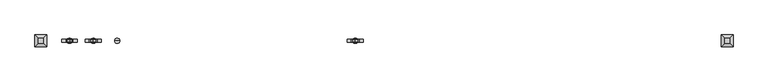
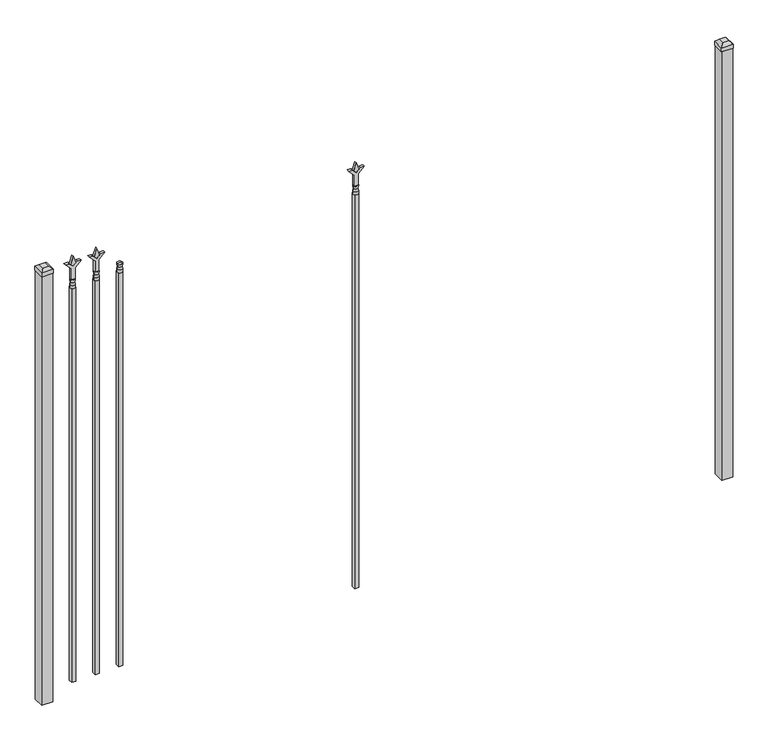
"""IFC4 building model written with IfcOpenShell, lengths in millimetres: railing geometry."""

from ifc_helpers import new_model, si_unit, frame, origin, origin_with_axes, place, context, project, spatial, polyline, circle_curve, outline, extrude, faceted_brep, source, transform, mapped, element, save
from ifc_brep_helpers import plane_surface, cylinder_surface, revolved_surface, advanced_brep


def railing_c8e10cfa(model_context):
    return source(origin(), model_context, "Body", "SolidModel", [
        advanced_brep(
        [(-60983.1035036, -9169.6570174, 1993.9), (-61006.9160036, -9169.6570174, 1993.9), (-61006.9160036, -9169.6570174, 1981.2), (-60983.1035036, -9169.6570174, 1981.2), (-60985.3088355, -9169.6570174, 2006.4070585), (-61004.7106718, -9169.6570174, 2006.4070585), (-60983.1035036, -9169.6570174, 2022.475), (-61006.9160036, -9169.6570174, 2022.475), (-60995.0097536, -9169.6570174, 2022.475), (-60995.0097536, -9169.6570174, 1981.2)],
        [
            (0, 1, circle_curve(frame((-60995.0097536, -9169.6570174, 1993.9), z_axis=(0.0, 0.0, -1.0), x_axis=(-1.0, 0.0, 0.0)), 11.90625)),
            (1, 2),
            (2, 3, circle_curve(frame((-60995.0097536, -9169.6570174, 1981.2), z_axis=(0.0, 0.0, 1.0), x_axis=(-1.0, 0.0, 0.0)), 11.90625)),
            (3, 0),
            (1, 0, circle_curve(frame((-60995.0097536, -9169.6570174, 1993.9), z_axis=(0.0, 0.0, -1.0), x_axis=(-1.0, 0.0, 0.0)), 11.90625)),
            (3, 2, circle_curve(frame((-60995.0097536, -9169.6570174, 1981.2), z_axis=(0.0, 0.0, 1.0), x_axis=(-1.0, 0.0, 0.0)), 11.90625)),
            (4, 5, circle_curve(frame((-60995.0097536, -9169.6570174, 2006.4070585), z_axis=(0.0, 0.0, -1.0), x_axis=(-1.0, 0.0, 0.0)), 9.7009181)),
            (5, 1),
            (0, 4),
            (5, 4, circle_curve(frame((-60995.0097536, -9169.6570174, 2006.4070585), z_axis=(0.0, 0.0, -1.0), x_axis=(-1.0, 0.0, 0.0)), 9.7009181)),
            (6, 7, circle_curve(frame((-60995.0097536, -9169.6570174, 2022.475), z_axis=(0.0, 0.0, -1.0), x_axis=(-1.0, 0.0, 0.0)), 11.90625)),
            (7, 5),
            (4, 6),
            (7, 6, circle_curve(frame((-60995.0097536, -9169.6570174, 2022.475), z_axis=(0.0, 0.0, -1.0), x_axis=(-1.0, 0.0, 0.0)), 11.90625)),
            (8, 7),
            (6, 8),
            (2, 9),
            (9, 3),
        ],
        [
            cylinder_surface(frame((-60995.0097536, -9169.6570174, 1981.2), z_axis=(0.0, 0.0, 1.0), x_axis=(-1.0, 0.0, 0.0)), 11.90625),
            revolved_surface(polyline([(-61006.9160036, -9169.6570174, 1993.9), (-61004.7106718, -9169.6570174, 2006.4070585)]), (-60995.0097536, -9169.6570174, 1981.2), (0.0, 0.0, 1.0)),
            revolved_surface(polyline([(-61004.7106718, -9169.6570174, 2006.4070585), (-61006.9160036, -9169.6570174, 2022.475)]), (-60995.0097536, -9169.6570174, 1981.2), (0.0, 0.0, 1.0)),
            plane_surface(frame((-60995.0097536, -9169.6570174, 2022.475), z_axis=(0.0, 0.0, 1.0), x_axis=(-1.0, 0.0, 0.0))),
            plane_surface(frame((-60995.0097536, -9169.6570174, 1981.2), z_axis=(0.0, 0.0, -1.0), x_axis=(-1.0, 0.0, 0.0))),
        ],
        [
            (0, [[1, 2, 3, 4]]),
            (0, [[5, -4, 6, -2]]),
            (1, [[7, 8, -1, 9]]),
            (1, [[10, -9, -5, -8]]),
            (2, [[11, 12, -7, 13]]),
            (2, [[14, -13, -10, -12]]),
            (3, [[15, -11, 16]]),
            (3, [[-16, -14, -15]]),
            (4, [[-3, 17, 18]]),
            (4, [[-6, -18, -17]]),
        ],
    ),
        extrude(outline(polyline([(-61004.5347536, -9160.1320174), (-60985.4847536, -9160.1320174), (-60985.4847536, -9179.1820174), (-61004.5347536, -9179.1820174), (-61004.5347536, -9160.1320174)])), frame((0.0, 0.0, 50.8), z_axis=(0.0, 0.0, 1.0), x_axis=(1.0, 0.0, 0.0)), (0.0, 0.0, 1.0), 1930.4),
        extrude(outline(polyline([(2097.88125, -61092.3764203), (2133.6, -61104.2826703), (2097.88125, -61116.1889203), (2085.975, -61104.2826703), (2097.88125, -61092.3764203)])), frame((0.0, -9174.4195174, 0.0), z_axis=(0.0, 1.0, 0.0), x_axis=(0.0, 0.0, 1.0)), (0.0, 0.0, 1.0), 9.525),
        extrude(outline(polyline([(2022.475, -61095.5514203), (2076.7457378, -61095.5514203), (2103.9355122, -61068.3616458), (2103.9355122, -61086.3221581), (2085.975, -61104.2826703), (2103.9355122, -61122.2431825), (2103.9355122, -61140.2036948), (2076.7457378, -61113.0139203), (2022.475, -61113.0139203), (2022.475, -61095.5514203)])), frame((0.0, -9176.0070174, 0.0), z_axis=(0.0, 1.0, 0.0), x_axis=(0.0, 0.0, 1.0)), (0.0, 0.0, 1.0), 12.7),
        advanced_brep(
        [(-61092.3764203, -9169.6570174, 1993.9), (-61116.1889203, -9169.6570174, 1993.9), (-61116.1889203, -9169.6570174, 1981.2), (-61092.3764203, -9169.6570174, 1981.2), (-61094.5817522, -9169.6570174, 2006.4070585), (-61113.9835884, -9169.6570174, 2006.4070585), (-61092.3764203, -9169.6570174, 2022.475), (-61116.1889203, -9169.6570174, 2022.475), (-61104.2826703, -9169.6570174, 2022.475), (-61104.2826703, -9169.6570174, 1981.2)],
        [
            (0, 1, circle_curve(frame((-61104.2826703, -9169.6570174, 1993.9), z_axis=(0.0, 0.0, -1.0), x_axis=(-1.0, 0.0, 0.0)), 11.90625)),
            (1, 2),
            (2, 3, circle_curve(frame((-61104.2826703, -9169.6570174, 1981.2), z_axis=(0.0, 0.0, 1.0), x_axis=(-1.0, 0.0, 0.0)), 11.90625)),
            (3, 0),
            (1, 0, circle_curve(frame((-61104.2826703, -9169.6570174, 1993.9), z_axis=(0.0, 0.0, -1.0), x_axis=(-1.0, 0.0, 0.0)), 11.90625)),
            (3, 2, circle_curve(frame((-61104.2826703, -9169.6570174, 1981.2), z_axis=(0.0, 0.0, 1.0), x_axis=(-1.0, 0.0, 0.0)), 11.90625)),
            (4, 5, circle_curve(frame((-61104.2826703, -9169.6570174, 2006.4070585), z_axis=(0.0, 0.0, -1.0), x_axis=(-1.0, 0.0, 0.0)), 9.7009181)),
            (5, 1),
            (0, 4),
            (5, 4, circle_curve(frame((-61104.2826703, -9169.6570174, 2006.4070585), z_axis=(0.0, 0.0, -1.0), x_axis=(-1.0, 0.0, 0.0)), 9.7009181)),
            (6, 7, circle_curve(frame((-61104.2826703, -9169.6570174, 2022.475), z_axis=(0.0, 0.0, -1.0), x_axis=(-1.0, 0.0, 0.0)), 11.90625)),
            (7, 5),
            (4, 6),
            (7, 6, circle_curve(frame((-61104.2826703, -9169.6570174, 2022.475), z_axis=(0.0, 0.0, -1.0), x_axis=(-1.0, 0.0, 0.0)), 11.90625)),
            (8, 7),
            (6, 8),
            (2, 9),
            (9, 3),
        ],
        [
            cylinder_surface(frame((-61104.2826703, -9169.6570174, 1981.2), z_axis=(0.0, 0.0, 1.0), x_axis=(-1.0, 0.0, 0.0)), 11.90625),
            revolved_surface(polyline([(-61116.1889203, -9169.6570174, 1993.9), (-61113.9835884, -9169.6570174, 2006.4070585)]), (-61104.2826703, -9169.6570174, 1981.2), (0.0, 0.0, 1.0)),
            revolved_surface(polyline([(-61113.9835884, -9169.6570174, 2006.4070585), (-61116.1889203, -9169.6570174, 2022.475)]), (-61104.2826703, -9169.6570174, 1981.2), (0.0, 0.0, 1.0)),
            plane_surface(frame((-61104.2826703, -9169.6570174, 2022.475), z_axis=(0.0, 0.0, 1.0), x_axis=(-1.0, 0.0, 0.0))),
            plane_surface(frame((-61104.2826703, -9169.6570174, 1981.2), z_axis=(0.0, 0.0, -1.0), x_axis=(-1.0, 0.0, 0.0))),
        ],
        [
            (0, [[1, 2, 3, 4]]),
            (0, [[5, -4, 6, -2]]),
            (1, [[7, 8, -1, 9]]),
            (1, [[10, -9, -5, -8]]),
            (2, [[11, 12, -7, 13]]),
            (2, [[14, -13, -10, -12]]),
            (3, [[15, -11, 16]]),
            (3, [[-16, -14, -15]]),
            (4, [[-3, 17, 18]]),
            (4, [[-6, -18, -17]]),
        ],
    ),
        extrude(outline(polyline([(-61113.8076703, -9160.1320174), (-61094.7576703, -9160.1320174), (-61094.7576703, -9179.1820174), (-61113.8076703, -9179.1820174), (-61113.8076703, -9160.1320174)])), frame((0.0, 0.0, 50.8), z_axis=(0.0, 0.0, 1.0), x_axis=(1.0, 0.0, 0.0)), (0.0, 0.0, 1.0), 1930.4),
        extrude(outline(polyline([(2097.88125, -59890.374337), (2133.6, -59902.280587), (2097.88125, -59914.186837), (2085.975, -59902.280587), (2097.88125, -59890.374337)])), frame((0.0, -9174.4195174, 0.0), z_axis=(0.0, 1.0, 0.0), x_axis=(0.0, 0.0, 1.0)), (0.0, 0.0, 1.0), 9.525),
        extrude(outline(polyline([(2022.475, -59893.549337), (2076.7457378, -59893.549337), (2103.9355122, -59866.3595625), (2103.9355122, -59884.3200747), (2085.975, -59902.280587), (2103.9355122, -59920.2410992), (2103.9355122, -59938.2016114), (2076.7457378, -59911.011837), (2022.475, -59911.011837), (2022.475, -59893.549337)])), frame((0.0, -9176.0070174, 0.0), z_axis=(0.0, 1.0, 0.0), x_axis=(0.0, 0.0, 1.0)), (0.0, 0.0, 1.0), 12.7),
        advanced_brep(
        [(-59890.374337, -9169.6570174, 1993.9), (-59914.186837, -9169.6570174, 1993.9), (-59914.186837, -9169.6570174, 1981.2), (-59890.374337, -9169.6570174, 1981.2), (-59892.5796688, -9169.6570174, 2006.4070585), (-59911.9815051, -9169.6570174, 2006.4070585), (-59890.374337, -9169.6570174, 2022.475), (-59914.186837, -9169.6570174, 2022.475), (-59902.280587, -9169.6570174, 2022.475), (-59902.280587, -9169.6570174, 1981.2)],
        [
            (0, 1, circle_curve(frame((-59902.280587, -9169.6570174, 1993.9), z_axis=(0.0, 0.0, -1.0), x_axis=(-1.0, 0.0, 0.0)), 11.90625)),
            (1, 2),
            (2, 3, circle_curve(frame((-59902.280587, -9169.6570174, 1981.2), z_axis=(0.0, 0.0, 1.0), x_axis=(-1.0, 0.0, 0.0)), 11.90625)),
            (3, 0),
            (1, 0, circle_curve(frame((-59902.280587, -9169.6570174, 1993.9), z_axis=(0.0, 0.0, -1.0), x_axis=(-1.0, 0.0, 0.0)), 11.90625)),
            (3, 2, circle_curve(frame((-59902.280587, -9169.6570174, 1981.2), z_axis=(0.0, 0.0, 1.0), x_axis=(-1.0, 0.0, 0.0)), 11.90625)),
            (4, 5, circle_curve(frame((-59902.280587, -9169.6570174, 2006.4070585), z_axis=(0.0, 0.0, -1.0), x_axis=(-1.0, 0.0, 0.0)), 9.7009181)),
            (5, 1),
            (0, 4),
            (5, 4, circle_curve(frame((-59902.280587, -9169.6570174, 2006.4070585), z_axis=(0.0, 0.0, -1.0), x_axis=(-1.0, 0.0, 0.0)), 9.7009181)),
            (6, 7, circle_curve(frame((-59902.280587, -9169.6570174, 2022.475), z_axis=(0.0, 0.0, -1.0), x_axis=(-1.0, 0.0, 0.0)), 11.90625)),
            (7, 5),
            (4, 6),
            (7, 6, circle_curve(frame((-59902.280587, -9169.6570174, 2022.475), z_axis=(0.0, 0.0, -1.0), x_axis=(-1.0, 0.0, 0.0)), 11.90625)),
            (8, 7),
            (6, 8),
            (2, 9),
            (9, 3),
        ],
        [
            cylinder_surface(frame((-59902.280587, -9169.6570174, 1981.2), z_axis=(0.0, 0.0, 1.0), x_axis=(-1.0, 0.0, 0.0)), 11.90625),
            revolved_surface(polyline([(-59914.186837, -9169.6570174, 1993.9), (-59911.9815051, -9169.6570174, 2006.4070585)]), (-59902.280587, -9169.6570174, 1981.2), (0.0, 0.0, 1.0)),
            revolved_surface(polyline([(-59911.9815051, -9169.6570174, 2006.4070585), (-59914.186837, -9169.6570174, 2022.475)]), (-59902.280587, -9169.6570174, 1981.2), (0.0, 0.0, 1.0)),
            plane_surface(frame((-59902.280587, -9169.6570174, 2022.475), z_axis=(0.0, 0.0, 1.0), x_axis=(-1.0, 0.0, 0.0))),
            plane_surface(frame((-59902.280587, -9169.6570174, 1981.2), z_axis=(0.0, 0.0, -1.0), x_axis=(-1.0, 0.0, 0.0))),
        ],
        [
            (0, [[1, 2, 3, 4]]),
            (0, [[5, -4, 6, -2]]),
            (1, [[7, 8, -1, 9]]),
            (1, [[10, -9, -5, -8]]),
            (2, [[11, 12, -7, 13]]),
            (2, [[14, -13, -10, -12]]),
            (3, [[15, -11, 16]]),
            (3, [[-16, -14, -15]]),
            (4, [[-3, 17, 18]]),
            (4, [[-6, -18, -17]]),
        ],
    ),
        extrude(outline(polyline([(-59911.805587, -9160.1320174), (-59892.755587, -9160.1320174), (-59892.755587, -9179.1820174), (-59911.805587, -9179.1820174), (-59911.805587, -9160.1320174)])), frame((0.0, 0.0, 50.8), z_axis=(0.0, 0.0, 1.0), x_axis=(1.0, 0.0, 0.0)), (0.0, 0.0, 1.0), 1930.4),
        extrude(outline(polyline([(2097.88125, -61201.649337), (2133.6, -61213.555587), (2097.88125, -61225.461837), (2085.975, -61213.555587), (2097.88125, -61201.649337)])), frame((0.0, -9174.4195174, 0.0), z_axis=(0.0, 1.0, 0.0), x_axis=(0.0, 0.0, 1.0)), (0.0, 0.0, 1.0), 9.525),
        extrude(outline(polyline([(2022.475, -61204.824337), (2076.7457378, -61204.824337), (2103.9355122, -61177.6345625), (2103.9355122, -61195.5950747), (2085.975, -61213.555587), (2103.9355122, -61231.5160992), (2103.9355122, -61249.4766114), (2076.7457378, -61222.286837), (2022.475, -61222.286837), (2022.475, -61204.824337)])), frame((0.0, -9176.0070174, 0.0), z_axis=(0.0, 1.0, 0.0), x_axis=(0.0, 0.0, 1.0)), (0.0, 0.0, 1.0), 12.7),
        advanced_brep(
        [(-61201.649337, -9169.6570174, 1993.9), (-61225.461837, -9169.6570174, 1993.9), (-61225.461837, -9169.6570174, 1981.2), (-61201.649337, -9169.6570174, 1981.2), (-61203.8546688, -9169.6570174, 2006.4070585), (-61223.2565051, -9169.6570174, 2006.4070585), (-61201.649337, -9169.6570174, 2022.475), (-61225.461837, -9169.6570174, 2022.475), (-61213.555587, -9169.6570174, 2022.475), (-61213.555587, -9169.6570174, 1981.2)],
        [
            (0, 1, circle_curve(frame((-61213.555587, -9169.6570174, 1993.9), z_axis=(0.0, 0.0, -1.0), x_axis=(-1.0, 0.0, 0.0)), 11.90625)),
            (1, 2),
            (2, 3, circle_curve(frame((-61213.555587, -9169.6570174, 1981.2), z_axis=(0.0, 0.0, 1.0), x_axis=(-1.0, 0.0, 0.0)), 11.90625)),
            (3, 0),
            (1, 0, circle_curve(frame((-61213.555587, -9169.6570174, 1993.9), z_axis=(0.0, 0.0, -1.0), x_axis=(-1.0, 0.0, 0.0)), 11.90625)),
            (3, 2, circle_curve(frame((-61213.555587, -9169.6570174, 1981.2), z_axis=(0.0, 0.0, 1.0), x_axis=(-1.0, 0.0, 0.0)), 11.90625)),
            (4, 5, circle_curve(frame((-61213.555587, -9169.6570174, 2006.4070585), z_axis=(0.0, 0.0, -1.0), x_axis=(-1.0, 0.0, 0.0)), 9.7009181)),
            (5, 1),
            (0, 4),
            (5, 4, circle_curve(frame((-61213.555587, -9169.6570174, 2006.4070585), z_axis=(0.0, 0.0, -1.0), x_axis=(-1.0, 0.0, 0.0)), 9.7009181)),
            (6, 7, circle_curve(frame((-61213.555587, -9169.6570174, 2022.475), z_axis=(0.0, 0.0, -1.0), x_axis=(-1.0, 0.0, 0.0)), 11.90625)),
            (7, 5),
            (4, 6),
            (7, 6, circle_curve(frame((-61213.555587, -9169.6570174, 2022.475), z_axis=(0.0, 0.0, -1.0), x_axis=(-1.0, 0.0, 0.0)), 11.90625)),
            (8, 7),
            (6, 8),
            (2, 9),
            (9, 3),
        ],
        [
            cylinder_surface(frame((-61213.555587, -9169.6570174, 1981.2), z_axis=(0.0, 0.0, 1.0), x_axis=(-1.0, 0.0, 0.0)), 11.90625),
            revolved_surface(polyline([(-61225.461837, -9169.6570174, 1993.9), (-61223.2565051, -9169.6570174, 2006.4070585)]), (-61213.555587, -9169.6570174, 1981.2), (0.0, 0.0, 1.0)),
            revolved_surface(polyline([(-61223.2565051, -9169.6570174, 2006.4070585), (-61225.461837, -9169.6570174, 2022.475)]), (-61213.555587, -9169.6570174, 1981.2), (0.0, 0.0, 1.0)),
            plane_surface(frame((-61213.555587, -9169.6570174, 2022.475), z_axis=(0.0, 0.0, 1.0), x_axis=(-1.0, 0.0, 0.0))),
            plane_surface(frame((-61213.555587, -9169.6570174, 1981.2), z_axis=(0.0, 0.0, -1.0), x_axis=(-1.0, 0.0, 0.0))),
        ],
        [
            (0, [[1, 2, 3, 4]]),
            (0, [[5, -4, 6, -2]]),
            (1, [[7, 8, -1, 9]]),
            (1, [[10, -9, -5, -8]]),
            (2, [[11, 12, -7, 13]]),
            (2, [[14, -13, -10, -12]]),
            (3, [[15, -11, 16]]),
            (3, [[-16, -14, -15]]),
            (4, [[-3, 17, 18]]),
            (4, [[-6, -18, -17]]),
        ],
    ),
        extrude(outline(polyline([(-61223.080587, -9160.1320174), (-61204.030587, -9160.1320174), (-61204.030587, -9179.1820174), (-61223.080587, -9179.1820174), (-61223.080587, -9160.1320174)])), frame((0.0, 0.0, 50.8), z_axis=(0.0, 0.0, 1.0), x_axis=(1.0, 0.0, 0.0)), (0.0, 0.0, 1.0), 1930.4),
        extrude(outline(polyline([(-58170.318087, -9144.2570174), (-58170.318087, -9195.0570174), (-58221.118087, -9195.0570174), (-58221.118087, -9144.2570174), (-58170.318087, -9144.2570174)])), origin_with_axes(), (0.0, 0.0, 1.0), 2101.85),
        faceted_brep([(-58222.705587, -9142.6695174, 2120.9), (-58222.705587, -9142.6695174, 2101.85), (-58222.705587, -9196.6445174, 2101.85), (-58222.705587, -9196.6445174, 2120.9), (-58210.005587, -9155.3695174, 2133.6), (-58210.005587, -9183.9445174, 2133.6), (-58168.730587, -9196.6445174, 2101.85), (-58168.730587, -9196.6445174, 2120.9), (-58181.430587, -9183.9445174, 2133.6), (-58168.730587, -9142.6695174, 2101.85), (-58168.730587, -9142.6695174, 2120.9), (-58181.430587, -9155.3695174, 2133.6)], [[[0, 1, 2, 3]], [[4, 0, 3, 5]], [[3, 2, 6, 7]], [[5, 3, 7, 8]], [[7, 6, 9, 10]], [[8, 7, 10, 11]], [[10, 9, 1, 0]], [[11, 10, 0, 4]], [[5, 8, 11, 4]], [[1, 9, 6, 2]]]),
        extrude(outline(polyline([(-61319.918087, -9144.2570174), (-61319.918087, -9195.0570174), (-61370.718087, -9195.0570174), (-61370.718087, -9144.2570174), (-61319.918087, -9144.2570174)])), origin_with_axes(), (0.0, 0.0, 1.0), 2101.85),
        faceted_brep([(-61372.305587, -9142.6695174, 2120.9), (-61372.305587, -9142.6695174, 2101.85), (-61372.305587, -9196.6445174, 2101.85), (-61372.305587, -9196.6445174, 2120.9), (-61359.605587, -9155.3695174, 2133.6), (-61359.605587, -9183.9445174, 2133.6), (-61318.330587, -9196.6445174, 2101.85), (-61318.330587, -9196.6445174, 2120.9), (-61331.030587, -9183.9445174, 2133.6), (-61318.330587, -9142.6695174, 2101.85), (-61318.330587, -9142.6695174, 2120.9), (-61331.030587, -9155.3695174, 2133.6)], [[[0, 1, 2, 3]], [[4, 0, 3, 5]], [[3, 2, 6, 7]], [[5, 3, 7, 8]], [[7, 6, 9, 10]], [[8, 7, 10, 11]], [[10, 9, 1, 0]], [[11, 10, 0, 4]], [[5, 8, 11, 4]], [[1, 9, 6, 2]]]),
    ])


if __name__ == "__main__":
    model = new_model("IFC4")
    model_context = context("Model", 3, world=origin())
    ifc_project = project(units=[si_unit("LENGTHUNIT", "METRE", prefix="MILLI")], contexts=[model_context])
    site = spatial("IfcSite", under=ifc_project)
    building = spatial("IfcBuilding", under=site)
    placement = place(None, origin())
    railing_shape = railing_c8e10cfa(model_context)
    element("IfcRailing", 1, at=placement, inside=building, context=model_context, shape_type="MappedRepresentation", body=[
        mapped(railing_shape, transform((0.0, 0.0, 0.0), x_axis=(1.0, 0.0, 0.0), y_axis=(0.0, 1.0, 0.0), z_axis=(0.0, 0.0, 1.0))),
    ])
    save(model, "model.ifc")
